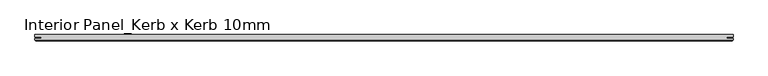
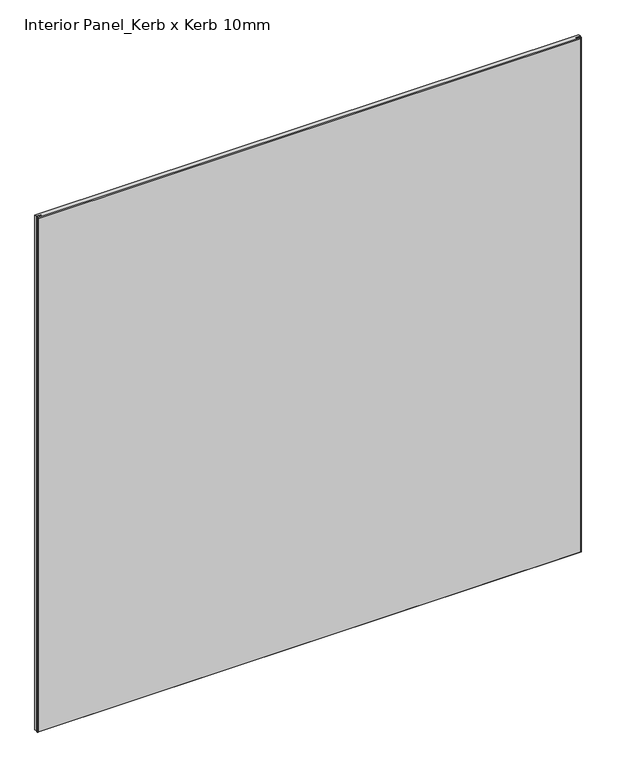
"""IFC4 building model written with IfcOpenShell, lengths in millimetres: proxy geometry, Interior Panel_Kerb x Kerb 10mm."""

from ifc_helpers import new_model, si_unit, origin, place, context, project, spatial, faceted_brep, source, transform, mapped, element, save


def interior_panel_kerb_x_kerb_10mm_3ef683a0(model_context):
    return source(origin(), model_context, "Body", "Brep", [
        faceted_brep([(990.6, 3.175, 1063.625), (-73.025, 3.175, 1063.625), (-73.025, -0.5207, 1063.625), (-63.2023437, -0.5207, 1063.625), (-63.2023437, -2.6543, 1063.625), (-73.025, -2.6543, 1063.625), (-73.025, -4.7625, 1063.625), (990.6, -4.7625, 1063.625), (990.6, -2.6543, 1063.625), (980.7773437, -2.6543, 1063.625), (980.7773437, -0.5207, 1063.625), (990.6, -0.5207, 1063.625), (990.6, 3.175, 0.0), (990.6, -0.5207, 0.0), (980.7773437, -0.5207, 0.0), (980.7773437, -2.6543, 0.0), (990.6, -2.6543, 0.0), (990.6, -4.7625, 0.0), (-73.025, -4.7625, 0.0), (-73.025, -2.6543, 0.0), (-63.2023437, -2.6543, 0.0), (-63.2023437, -0.5207, 0.0), (-73.025, -0.5207, 0.0), (-73.025, 3.175, 0.0), (-71.4375, -6.35, 1062.0375), (-71.4375, -6.35, 1.5875), (989.0125, -6.35, 1.5875), (989.0125, -6.35, 1062.0375)], [[[0, 1, 2, 3, 4, 5, 6, 7, 8, 9, 10, 11]], [[12, 13, 14, 15, 16, 17, 18, 19, 20, 21, 22, 23]], [[1, 0, 12, 23]], [[6, 5, 19, 18]], [[24, 25, 26, 27]], [[8, 7, 17, 16]], [[6, 18, 25, 24]], [[17, 7, 27, 26]], [[7, 6, 24, 27]], [[18, 17, 26, 25]], [[9, 8, 16, 15]], [[10, 9, 15, 14]], [[11, 10, 14, 13]], [[0, 11, 13, 12]], [[2, 1, 23, 22]], [[3, 2, 22, 21]], [[4, 3, 21, 20]], [[5, 4, 20, 19]]]),
    ])


if __name__ == "__main__":
    model = new_model("IFC4")
    model_context = context("Model", 3, world=origin())
    ifc_project = project(units=[si_unit("LENGTHUNIT", "METRE", prefix="MILLI")], contexts=[model_context])
    site = spatial("IfcSite", under=ifc_project)
    building = spatial("IfcBuilding", under=site)
    placement = place(None, origin())
    interior_panel_kerb_x_kerb_10mm_shape = interior_panel_kerb_x_kerb_10mm_3ef683a0(model_context)
    element("IfcBuildingElementProxy", 1, Name="Interior Panel_Kerb x Kerb 10mm", ObjectType="Interior Panel_Kerb x Kerb 10mm", at=placement, inside=building, context=model_context, shape_type="MappedRepresentation", body=[
        mapped(interior_panel_kerb_x_kerb_10mm_shape, transform((0.0, 0.0, 0.0), x_axis=(1.0, 0.0, 0.0), y_axis=(0.0, 1.0, 0.0), z_axis=(0.0, 0.0, 1.0))),
    ])
    save(model, "model.ifc")
